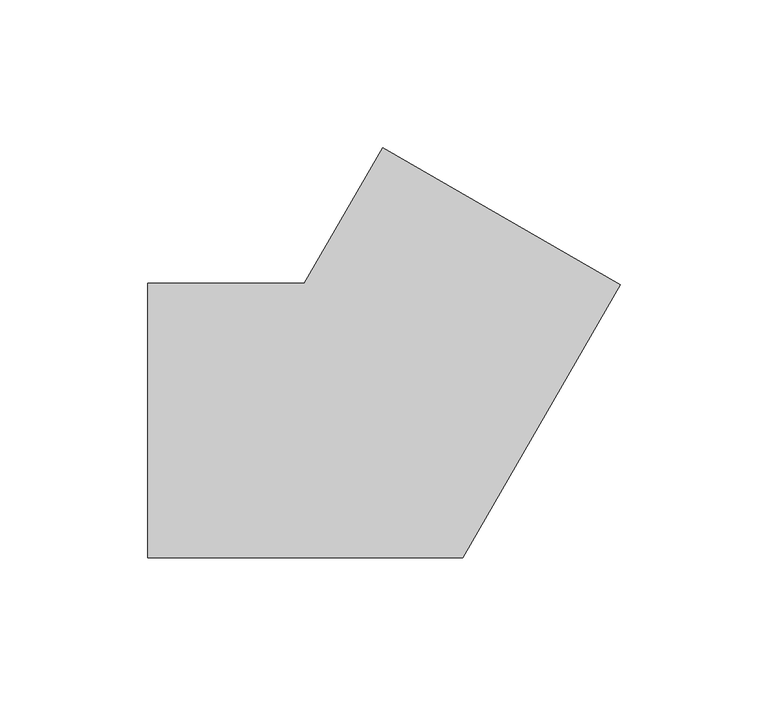
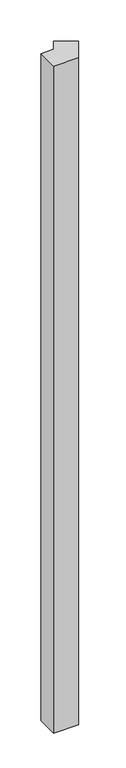
"""IFC4 building model written with IfcOpenShell, lengths in millimetres: member geometry."""

import ifcopenshell
import ifcopenshell.guid

model = None  # the IFC model being written
_history = None  # IfcOwnerHistory: only IFC2X3 demands one
_inside = {}  # id of a spatial element -> (the spatial element, [elements in it])
_under = {}  # id of a project, library or spatial element -> (it, [spatial elements below it])
_declared = {}  # id of a project -> (the project, [libraries it declares])
_typed = {}  # id of a type object -> (the type object, [elements of that type])
_made_of = {}  # id of a material, layer set ... -> (it, [elements and type objects made of it])


def new_model(schema):
    """Start an empty IFC model of exactly this schema.

    Asked for "IFC4X3", IfcOpenShell would pick the latest addendum, in which some entities
    have other attributes; the version numbers below select the first issue.
    IFC2X3 requires an IfcOwnerHistory on every rooted entity: one is made here for all.
    """
    global model, _history
    if schema == "IFC4X3":
        model = ifcopenshell.file(schema_version=(4, 3, 0, 0))
    else:
        model = ifcopenshell.file(schema=schema)
    _inside.clear()
    _under.clear()
    _declared.clear()
    _typed.clear()
    _made_of.clear()
    _history = None
    if model.schema == "IFC2X3":
        org = make("IfcOrganization", Name="unknown")
        user = make(
            "IfcPersonAndOrganization",
            ThePerson=make("IfcPerson", FamilyName="unknown"),
            TheOrganization=org,
        )
        app = make(
            "IfcApplication",
            ApplicationDeveloper=org,
            Version="unknown",
            ApplicationFullName="unknown",
            ApplicationIdentifier="unknown",
        )
        _history = make(
            "IfcOwnerHistory",
            OwningUser=user,
            OwningApplication=app,
            ChangeAction="ADDED",
            CreationDate=0,
        )
    return model


def make(cls, **values):
    """One entity of the class cls with the attributes given. An attribute that is None is left unset."""
    return model.create_entity(
        cls, **{name: value for name, value in values.items() if value is not None}
    )


def rooted(cls, **values):
    """An entity with a GlobalId (a new one), such as an element, a storey or a relation."""
    return make(cls, GlobalId=ifcopenshell.guid.new(), OwnerHistory=_history, **values)


def si_unit(unit_type, name, prefix=None):
    """IfcSIUnit, for example si_unit("LENGTHUNIT", "METRE", prefix="MILLI")."""
    return make("IfcSIUnit", UnitType=unit_type, Prefix=prefix, Name=name)


def assignment(units):
    """IfcUnitAssignment: the units of a project."""
    return None if units is None else make("IfcUnitAssignment", Units=units)


def point(xyz):
    """IfcCartesianPoint."""
    return None if xyz is None else make("IfcCartesianPoint", Coordinates=xyz)


def direction(xyz):
    """IfcDirection."""
    return None if xyz is None else make("IfcDirection", DirectionRatios=xyz)


def frame(location, z_axis=None, x_axis=None):
    """IfcAxis2Placement3D, a coordinate frame: its origin and axes. An axis left out is left unset."""
    return make(
        "IfcAxis2Placement3D",
        Location=point(location),
        Axis=direction(z_axis),
        RefDirection=direction(x_axis),
    )


def origin():
    """The frame at (0, 0, 0) with its axes left unset."""
    return frame((0.0, 0.0, 0.0))


def place(relative_to, where):
    """IfcLocalPlacement: puts the frame where relative to a parent placement (None: the world)."""
    return make(
        "IfcLocalPlacement", PlacementRelTo=relative_to, RelativePlacement=where
    )


def context(
    kind, dimensions, precision=None, world=None, true_north=None, identifier=None
):
    """IfcGeometricRepresentationContext, for example the 3D "Model" context."""
    return make(
        "IfcGeometricRepresentationContext",
        ContextIdentifier=identifier,
        ContextType=kind,
        CoordinateSpaceDimension=dimensions,
        Precision=precision,
        WorldCoordinateSystem=world,
        TrueNorth=true_north,
    )


def project(units=None, contexts=None):
    """IfcProject with its units and contexts."""
    return rooted(
        "IfcProject",
        Name="project",
        RepresentationContexts=contexts,
        UnitsInContext=assignment(units),
    )


def spatial(cls, under=None, at=None, **own):
    """A site, building, storey or space (cls), placed at a placement, below another one or the project."""
    s = rooted(cls, ObjectPlacement=at, **own)
    if under is not None:
        _under.setdefault(under.id(), (under, []))[1].append(s)
    return s


def polyline(points):
    """IfcPolyline through the points."""
    return make("IfcPolyline", Points=[point(p) for p in points])


def outline(outer, holes=None, kind="AREA"):
    """IfcArbitraryClosedProfileDef: a profile drawn as a closed curve; with holes, ...WithVoids."""
    if holes is None:
        return make("IfcArbitraryClosedProfileDef", ProfileType=kind, OuterCurve=outer)
    return make(
        "IfcArbitraryProfileDefWithVoids",
        ProfileType=kind,
        OuterCurve=outer,
        InnerCurves=holes,
    )


def extrude(swept, where, along, depth):
    """IfcExtrudedAreaSolid: the profile swept, set in the frame where, extruded along a direction by depth."""
    return make(
        "IfcExtrudedAreaSolid",
        SweptArea=swept,
        Position=where,
        ExtrudedDirection=direction(along),
        Depth=depth,
    )


def shape(context_of_items, identifier, shape_type, items):
    """IfcShapeRepresentation: the items that make up one representation, for example the "Body"."""
    return make(
        "IfcShapeRepresentation",
        ContextOfItems=context_of_items,
        RepresentationIdentifier=identifier,
        RepresentationType=shape_type,
        Items=items,
    )


def source(mapping_origin, context_of_items, identifier, shape_type, items):
    """IfcRepresentationMap: a shape defined once, which mapped items show again and again."""
    return make(
        "IfcRepresentationMap",
        MappingOrigin=mapping_origin,
        MappedRepresentation=shape(context_of_items, identifier, shape_type, items),
    )


def transform(
    local_origin,
    x_axis=None,
    y_axis=None,
    z_axis=None,
    scale=None,
    scale2=None,
    scale3=None,
    uniform=True,
):
    """IfcCartesianTransformationOperator3D, or its non-uniform kind. x_axis, y_axis, z_axis: its Axis1, 2, 3."""
    if uniform:
        return make(
            "IfcCartesianTransformationOperator3D",
            Axis1=direction(x_axis),
            Axis2=direction(y_axis),
            LocalOrigin=point(local_origin),
            Scale=scale,
            Axis3=direction(z_axis),
        )
    return make(
        "IfcCartesianTransformationOperator3DnonUniform",
        Axis1=direction(x_axis),
        Axis2=direction(y_axis),
        LocalOrigin=point(local_origin),
        Scale=scale,
        Axis3=direction(z_axis),
        Scale2=scale2,
        Scale3=scale3,
    )


def mapped(mapping_source, mapping_target):
    """IfcMappedItem: shows the shape of a source again, moved by a transform."""
    return make(
        "IfcMappedItem", MappingSource=mapping_source, MappingTarget=mapping_target
    )


def made_of(thing, what):
    """Note that an element or type object is made of a material, layer set ...; save() writes the relation."""
    if what is not None:
        _made_of.setdefault(what.id(), (what, []))[1].append(thing)
    return thing


def element(
    cls,
    number,
    at=None,
    inside=None,
    cuts=None,
    type_object=None,
    material=None,
    context=None,
    identifier="Body",
    shape_type=None,
    held_by="IfcProductDefinitionShape",
    body=None,
    shapes=None,
    **own,
):
    """One element of the class cls, such as IfcWall. Its Tag is "e" and its number.

    at: its placement. inside: the storey or other place that contains it. cuts: it is an
    opening in that element (IfcRelVoidsElement). A single representation is given by context,
    identifier, shape_type and body (its items); several are given by shapes. held_by: the class
    of the entity that holds the representations. save() writes the other relations.
    """
    e = rooted(cls, Tag="e%d" % number, ObjectPlacement=at, **own)
    if body is not None:
        shapes = [shape(context, identifier, shape_type, body)]
    if shapes is not None:
        e.Representation = make(held_by, Representations=shapes)
    if inside is not None:
        _inside.setdefault(inside.id(), (inside, []))[1].append(e)
    if cuts is not None:
        rooted(
            "IfcRelVoidsElement", RelatingBuildingElement=cuts, RelatedOpeningElement=e
        )
    if type_object is not None:
        _typed.setdefault(type_object.id(), (type_object, []))[1].append(e)
    return made_of(e, material)


def aggregate(whole, parts):
    """IfcRelAggregates: a whole, such as a stair, and the parts it consists of."""
    return rooted("IfcRelAggregates", RelatingObject=whole, RelatedObjects=parts)


def save(model, path):
    """Write the relations noted so far, then the file.

    IfcRelAggregates (storeys below a building ...), IfcRelContainedInSpatialStructure (elements
    in a storey), IfcRelDefinesByType, IfcRelAssociatesMaterial and IfcRelDeclares: one each for
    every whole, place, type object, material and project.
    """
    for whole, parts in _under.values():
        aggregate(whole, parts)
    for where, things in _inside.values():
        rooted(
            "IfcRelContainedInSpatialStructure",
            RelatedElements=things,
            RelatingStructure=where,
        )
    for kind, things in _typed.values():
        rooted("IfcRelDefinesByType", RelatedObjects=things, RelatingType=kind)
    for what, things in _made_of.values():
        rooted("IfcRelAssociatesMaterial", RelatedObjects=things, RelatingMaterial=what)
    for by, libraries in _declared.values():
        rooted("IfcRelDeclares", RelatingContext=by, RelatedDefinitions=libraries)
    model.write(path)


def member_0d739262(model_context):
    return source(origin(), model_context, "Body", "SweptSolid", [
        extrude(outline(polyline([(80.2701813, 46.0320323), (26.8467875, -46.5), (-80.0, -46.5), (-80.0, 46.5), (-26.8467875, 46.5), (-0.2701813, 92.5320323), (80.2701813, 46.0320323)])), frame((0.0, 0.0, -3000.0), z_axis=(0.0, 0.0, 1.0), x_axis=(1.0, 0.0, 0.0)), (0.0, 0.0, 1.0), 3000.0),
    ])


if __name__ == "__main__":
    model = new_model("IFC4")
    model_context = context("Model", 3, world=origin())
    ifc_project = project(units=[si_unit("LENGTHUNIT", "METRE", prefix="MILLI")], contexts=[model_context])
    site = spatial("IfcSite", under=ifc_project)
    building = spatial("IfcBuilding", under=site)
    placement = place(None, origin())
    member_shape = member_0d739262(model_context)
    element("IfcMember", 1, at=placement, inside=building, context=model_context, shape_type="MappedRepresentation", body=[
        mapped(member_shape, transform((0.0, 0.0, 0.0), x_axis=(1.0, 0.0, 0.0), y_axis=(0.0, 1.0, 0.0), z_axis=(0.0, 0.0, 1.0))),
    ])
    save(model, "model.ifc")
